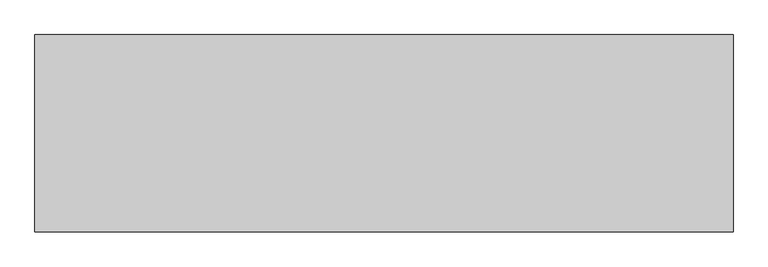
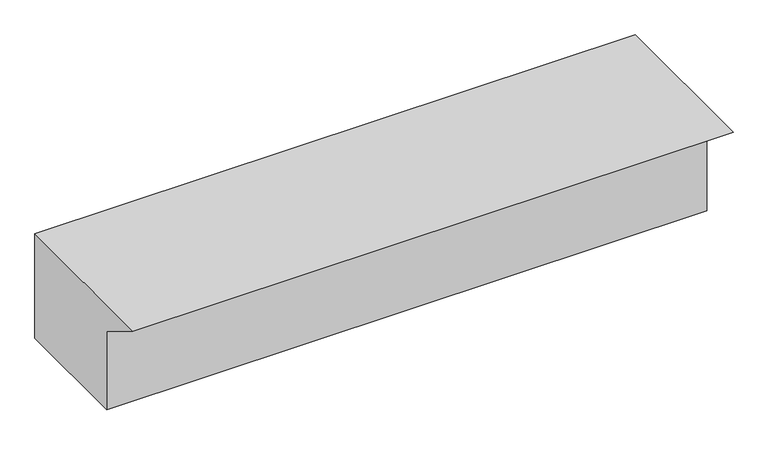
"""IFC4 building model written with IfcOpenShell, lengths in millimetres: stair geometry."""

from ifc_helpers import new_model, si_unit, frame, origin, place, context, project, spatial, polyline, outline, extrude, source, transform, mapped, element, save


def stair_6cb6648f(model_context):
    return source(origin(), model_context, "Body", "SweptSolid", [
        extrude(outline(polyline([(-3451.5765383, 13228.6039913), (-3550.5432389, 13290.0), (-3182.9760521, 13290.0), (-3182.9760521, 13050.0), (-3451.5765383, 13050.0), (-3451.5765383, 13228.6039913)])), frame((1286.8631266, 0.0, 0.0), z_axis=(1.0, 0.0, 0.0), x_axis=(0.0, 1.0, 0.0)), (0.0, 0.0, 1.0), 1300.0),
    ])


if __name__ == "__main__":
    model = new_model("IFC4")
    model_context = context("Model", 3, world=origin())
    ifc_project = project(units=[si_unit("LENGTHUNIT", "METRE", prefix="MILLI")], contexts=[model_context])
    site = spatial("IfcSite", under=ifc_project)
    building = spatial("IfcBuilding", under=site)
    placement = place(None, origin())
    stair_shape = stair_6cb6648f(model_context)
    element("IfcStair", 1, at=placement, inside=building, context=model_context, shape_type="MappedRepresentation", body=[
        mapped(stair_shape, transform((0.0, 0.0, 0.0), x_axis=(1.0, 0.0, 0.0), y_axis=(0.0, 1.0, 0.0), z_axis=(0.0, 0.0, 1.0))),
    ])
    save(model, "model.ifc")
